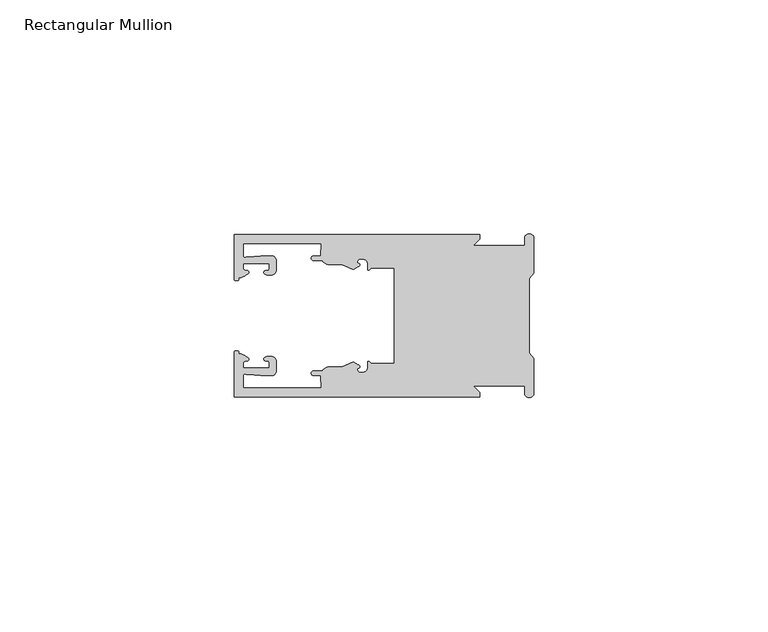
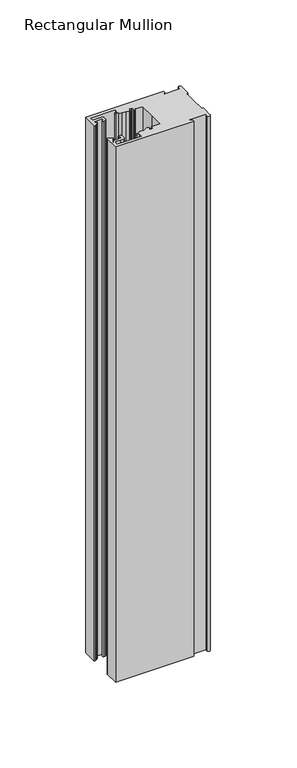
"""IFC4 building model written with IfcOpenShell, lengths in millimetres: member geometry, Rectangular Mullion."""

import ifcopenshell
import ifcopenshell.guid

model = None  # the IFC model being written
_history = None  # IfcOwnerHistory: only IFC2X3 demands one
_inside = {}  # id of a spatial element -> (the spatial element, [elements in it])
_under = {}  # id of a project, library or spatial element -> (it, [spatial elements below it])
_declared = {}  # id of a project -> (the project, [libraries it declares])
_typed = {}  # id of a type object -> (the type object, [elements of that type])
_made_of = {}  # id of a material, layer set ... -> (it, [elements and type objects made of it])


def new_model(schema):
    """Start an empty IFC model of exactly this schema.

    Asked for "IFC4X3", IfcOpenShell would pick the latest addendum, in which some entities
    have other attributes; the version numbers below select the first issue.
    IFC2X3 requires an IfcOwnerHistory on every rooted entity: one is made here for all.
    """
    global model, _history
    if schema == "IFC4X3":
        model = ifcopenshell.file(schema_version=(4, 3, 0, 0))
    else:
        model = ifcopenshell.file(schema=schema)
    _inside.clear()
    _under.clear()
    _declared.clear()
    _typed.clear()
    _made_of.clear()
    _history = None
    if model.schema == "IFC2X3":
        org = make("IfcOrganization", Name="unknown")
        user = make(
            "IfcPersonAndOrganization",
            ThePerson=make("IfcPerson", FamilyName="unknown"),
            TheOrganization=org,
        )
        app = make(
            "IfcApplication",
            ApplicationDeveloper=org,
            Version="unknown",
            ApplicationFullName="unknown",
            ApplicationIdentifier="unknown",
        )
        _history = make(
            "IfcOwnerHistory",
            OwningUser=user,
            OwningApplication=app,
            ChangeAction="ADDED",
            CreationDate=0,
        )
    return model


def make(cls, **values):
    """One entity of the class cls with the attributes given. An attribute that is None is left unset."""
    return model.create_entity(
        cls, **{name: value for name, value in values.items() if value is not None}
    )


def rooted(cls, **values):
    """An entity with a GlobalId (a new one), such as an element, a storey or a relation."""
    return make(cls, GlobalId=ifcopenshell.guid.new(), OwnerHistory=_history, **values)


def si_unit(unit_type, name, prefix=None):
    """IfcSIUnit, for example si_unit("LENGTHUNIT", "METRE", prefix="MILLI")."""
    return make("IfcSIUnit", UnitType=unit_type, Prefix=prefix, Name=name)


def assignment(units):
    """IfcUnitAssignment: the units of a project."""
    return None if units is None else make("IfcUnitAssignment", Units=units)


def point(xyz):
    """IfcCartesianPoint."""
    return None if xyz is None else make("IfcCartesianPoint", Coordinates=xyz)


def direction(xyz):
    """IfcDirection."""
    return None if xyz is None else make("IfcDirection", DirectionRatios=xyz)


def frame(location, z_axis=None, x_axis=None):
    """IfcAxis2Placement3D, a coordinate frame: its origin and axes. An axis left out is left unset."""
    return make(
        "IfcAxis2Placement3D",
        Location=point(location),
        Axis=direction(z_axis),
        RefDirection=direction(x_axis),
    )


def origin():
    """The frame at (0, 0, 0) with its axes left unset."""
    return frame((0.0, 0.0, 0.0))


def place(relative_to, where):
    """IfcLocalPlacement: puts the frame where relative to a parent placement (None: the world)."""
    return make(
        "IfcLocalPlacement", PlacementRelTo=relative_to, RelativePlacement=where
    )


def context(
    kind, dimensions, precision=None, world=None, true_north=None, identifier=None
):
    """IfcGeometricRepresentationContext, for example the 3D "Model" context."""
    return make(
        "IfcGeometricRepresentationContext",
        ContextIdentifier=identifier,
        ContextType=kind,
        CoordinateSpaceDimension=dimensions,
        Precision=precision,
        WorldCoordinateSystem=world,
        TrueNorth=true_north,
    )


def project(units=None, contexts=None):
    """IfcProject with its units and contexts."""
    return rooted(
        "IfcProject",
        Name="project",
        RepresentationContexts=contexts,
        UnitsInContext=assignment(units),
    )


def spatial(cls, under=None, at=None, **own):
    """A site, building, storey or space (cls), placed at a placement, below another one or the project."""
    s = rooted(cls, ObjectPlacement=at, **own)
    if under is not None:
        _under.setdefault(under.id(), (under, []))[1].append(s)
    return s


def polyline(points):
    """IfcPolyline through the points."""
    return make("IfcPolyline", Points=[point(p) for p in points])


def circle_curve(where, radius):
    """IfcCircle in the frame where."""
    return make("IfcCircle", Position=where, Radius=radius)


def shape(context_of_items, identifier, shape_type, items):
    """IfcShapeRepresentation: the items that make up one representation, for example the "Body"."""
    return make(
        "IfcShapeRepresentation",
        ContextOfItems=context_of_items,
        RepresentationIdentifier=identifier,
        RepresentationType=shape_type,
        Items=items,
    )


def source(mapping_origin, context_of_items, identifier, shape_type, items):
    """IfcRepresentationMap: a shape defined once, which mapped items show again and again."""
    return make(
        "IfcRepresentationMap",
        MappingOrigin=mapping_origin,
        MappedRepresentation=shape(context_of_items, identifier, shape_type, items),
    )


def transform(
    local_origin,
    x_axis=None,
    y_axis=None,
    z_axis=None,
    scale=None,
    scale2=None,
    scale3=None,
    uniform=True,
):
    """IfcCartesianTransformationOperator3D, or its non-uniform kind. x_axis, y_axis, z_axis: its Axis1, 2, 3."""
    if uniform:
        return make(
            "IfcCartesianTransformationOperator3D",
            Axis1=direction(x_axis),
            Axis2=direction(y_axis),
            LocalOrigin=point(local_origin),
            Scale=scale,
            Axis3=direction(z_axis),
        )
    return make(
        "IfcCartesianTransformationOperator3DnonUniform",
        Axis1=direction(x_axis),
        Axis2=direction(y_axis),
        LocalOrigin=point(local_origin),
        Scale=scale,
        Axis3=direction(z_axis),
        Scale2=scale2,
        Scale3=scale3,
    )


def mapped(mapping_source, mapping_target):
    """IfcMappedItem: shows the shape of a source again, moved by a transform."""
    return make(
        "IfcMappedItem", MappingSource=mapping_source, MappingTarget=mapping_target
    )


def made_of(thing, what):
    """Note that an element or type object is made of a material, layer set ...; save() writes the relation."""
    if what is not None:
        _made_of.setdefault(what.id(), (what, []))[1].append(thing)
    return thing


def element(
    cls,
    number,
    at=None,
    inside=None,
    cuts=None,
    type_object=None,
    material=None,
    context=None,
    identifier="Body",
    shape_type=None,
    held_by="IfcProductDefinitionShape",
    body=None,
    shapes=None,
    **own,
):
    """One element of the class cls, such as IfcWall. Its Tag is "e" and its number.

    at: its placement. inside: the storey or other place that contains it. cuts: it is an
    opening in that element (IfcRelVoidsElement). A single representation is given by context,
    identifier, shape_type and body (its items); several are given by shapes. held_by: the class
    of the entity that holds the representations. save() writes the other relations.
    """
    e = rooted(cls, Tag="e%d" % number, ObjectPlacement=at, **own)
    if body is not None:
        shapes = [shape(context, identifier, shape_type, body)]
    if shapes is not None:
        e.Representation = make(held_by, Representations=shapes)
    if inside is not None:
        _inside.setdefault(inside.id(), (inside, []))[1].append(e)
    if cuts is not None:
        rooted(
            "IfcRelVoidsElement", RelatingBuildingElement=cuts, RelatedOpeningElement=e
        )
    if type_object is not None:
        _typed.setdefault(type_object.id(), (type_object, []))[1].append(e)
    return made_of(e, material)


def aggregate(whole, parts):
    """IfcRelAggregates: a whole, such as a stair, and the parts it consists of."""
    return rooted("IfcRelAggregates", RelatingObject=whole, RelatedObjects=parts)


def save(model, path):
    """Write the relations noted so far, then the file.

    IfcRelAggregates (storeys below a building ...), IfcRelContainedInSpatialStructure (elements
    in a storey), IfcRelDefinesByType, IfcRelAssociatesMaterial and IfcRelDeclares: one each for
    every whole, place, type object, material and project.
    """
    for whole, parts in _under.values():
        aggregate(whole, parts)
    for where, things in _inside.values():
        rooted(
            "IfcRelContainedInSpatialStructure",
            RelatedElements=things,
            RelatingStructure=where,
        )
    for kind, things in _typed.values():
        rooted("IfcRelDefinesByType", RelatedObjects=things, RelatingType=kind)
    for what, things in _made_of.values():
        rooted("IfcRelAssociatesMaterial", RelatedObjects=things, RelatingMaterial=what)
    for by, libraries in _declared.values():
        rooted("IfcRelDeclares", RelatingContext=by, RelatedDefinitions=libraries)
    model.write(path)


def plane_surface(at):
    """IfcPlane: the flat surface through the origin of the frame at, square to its z axis."""
    return make("IfcPlane", Position=at)


def cylinder_surface(at, radius):
    """IfcCylindricalSurface: all points at the distance radius from the z axis of the frame at."""
    return make("IfcCylindricalSurface", Position=at, Radius=radius)


def revolved_surface(curve, axis_point, axis_direction):
    """IfcSurfaceOfRevolution: the curve turned about the line through axis_point along axis_direction."""
    return make(
        "IfcSurfaceOfRevolution",
        SweptCurve=make("IfcArbitraryOpenProfileDef", ProfileType="CURVE", Curve=curve),
        AxisPosition=make("IfcAxis1Placement", Location=point(axis_point), Axis=direction(axis_direction)),
    )


def extruded_surface(curve, direction_of_extrusion, depth):
    """IfcSurfaceOfLinearExtrusion: the curve pushed along a direction by depth."""
    return make(
        "IfcSurfaceOfLinearExtrusion",
        SweptCurve=make("IfcArbitraryOpenProfileDef", ProfileType="CURVE", Curve=curve),
        ExtrudedDirection=direction(direction_of_extrusion),
        Depth=depth,
    )


def spline_curve(degree, points, multiplicities, knots, weights=None):
    """IfcBSplineCurveWithKnots; with weights, IfcRationalBSplineCurveWithKnots."""
    own = dict(
        Degree=degree,
        ControlPointsList=[point(p) for p in points],
        CurveForm="UNSPECIFIED",
        ClosedCurve=False,
        SelfIntersect=False,
        KnotMultiplicities=multiplicities,
        Knots=knots,
        KnotSpec="UNSPECIFIED",
    )
    if weights is None:
        return make("IfcBSplineCurveWithKnots", **own)
    return make("IfcRationalBSplineCurveWithKnots", WeightsData=weights, **own)


def advanced_brep(points, edges, surfaces, faces):
    """IfcAdvancedBrep: a solid bounded by faces that lie on surfaces and meet in shared edges.

    An edge is (start, end): straight between two places in points (the first is 0);
    or (start, end, curve); or (start, end, curve, False) where it runs against its curve.
    A face is (place in surfaces, loops), or (place, loops, False) where it looks against
    its surface's normal. A loop lists edges by number (the first is 1), with a minus sign
    where the edge is run from its end to its start. The first loop is the outer one.
    """
    corners = [point(p) for p in points]
    vertices = [make("IfcVertexPoint", VertexGeometry=c) for c in corners]
    made = []
    for start, end, *more in edges:
        made.append(
            make(
                "IfcEdgeCurve",
                EdgeStart=vertices[start],
                EdgeEnd=vertices[end],
                EdgeGeometry=more[0] if more else make("IfcPolyline", Points=[corners[start], corners[end]]),
                SameSense=more[1] if len(more) > 1 else True,
            )
        )
    hull = []
    for where, loops, *sense in faces:
        bounds = []
        for j, loop in enumerate(loops):
            ring = [make("IfcOrientedEdge", EdgeElement=made[abs(k) - 1], Orientation=k > 0) for k in loop]
            bounds.append(
                make(
                    "IfcFaceOuterBound" if j == 0 else "IfcFaceBound",
                    Bound=make("IfcEdgeLoop", EdgeList=ring),
                    Orientation=True,
                )
            )
        hull.append(make("IfcAdvancedFace", Bounds=bounds, FaceSurface=surfaces[where], SameSense=sense[0] if sense else True))
    return make("IfcAdvancedBrep", Outer=make("IfcClosedShell", CfsFaces=hull))


def rectangular_mullion_24ae1c9a(model_context):
    return source(origin(), model_context, "Body", "AdvancedBrep", [
        advanced_brep(
        [(-11.5387897, 17.4000478, 0.0), (-64.0387868, 17.4000478, 0.0), (-64.0387868, 7.8350057, 0.0), (-63.2884687, 7.5412947, 0.0), (-62.4614154, 8.1921895, 0.0), (-62.0410649, 9.9426451, 0.0), (-62.0424168, 11.1926444, 0.0), (-56.54242, 11.1985924, 0.0), (-56.5410682, 9.9485931, 0.0), (-57.1085345, 8.7314723, 0.0), (-56.0397166, 8.6991345, 0.0), (-55.0407987, 9.7002154, 0.0), (-55.0430697, 11.8002142, 0.0), (-56.0446364, 12.7991315, 0.0), (-58.3650753, 12.7954945, 0.0), (-61.1340054, 12.5502269, 0.0), (-62.044093, 12.7426435, 0.0), (-62.0469668, 15.4000478, 0.0), (-45.4240312, 15.4000478, 0.0), (-45.5732135, 12.8000478, 0.0), (-47.0387868, 12.8000478, 0.0), (-47.0387868, 11.8000478, 0.0), (-45.2543363, 11.8000478, 0.0), (-43.6387868, 10.9000478, 0.0), (-41.0454034, 10.9000478, 0.0), (-38.5697136, 9.8718293, 0.0), (-37.5387868, 10.4670351, 0.0), (-37.6803436, 11.4201497, 0.0), (-37.0270763, 12.1583697, 0.0), (-36.2010815, 12.0127245, 0.0), (-35.54, 11.2248783, 0.0), (-35.54, 10.0, 0.0), (-34.7705791, 10.25, 0.0), (-29.79, 10.25, 0.0), (-29.79, 0.0, 0.0), (-29.79, -10.25, 0.0), (-34.7705791, -10.25, 0.0), (-35.54, -10.0, 0.0), (-35.54, -11.2248783, 0.0), (-36.2010815, -12.0127245, 0.0), (-37.0270763, -12.1583697, 0.0), (-37.6803436, -11.4201497, 0.0), (-37.5387868, -10.4670351, 0.0), (-38.5697136, -9.8718293, 0.0), (-41.0454034, -10.9000478, 0.0), (-43.6387868, -10.9000478, 0.0), (-45.2543363, -11.8000478, 0.0), (-47.0387868, -11.8000478, 0.0), (-47.0387868, -12.8000478, 0.0), (-45.5732135, -12.8000478, 0.0), (-45.4240312, -15.4000478, 0.0), (-62.0469668, -15.4000478, 0.0), (-62.044093, -12.7426435, 0.0), (-61.1340054, -12.5502269, 0.0), (-58.3650753, -12.7954945, 0.0), (-56.0446364, -12.7991314, 0.0), (-55.0430697, -11.8002142, 0.0), (-55.0407987, -9.7002154, 0.0), (-56.0397166, -8.6991345, 0.0), (-57.1085345, -8.7314723, 0.0), (-56.5410682, -9.9485931, 0.0), (-56.54242, -11.1985924, 0.0), (-62.0424168, -11.1926444, 0.0), (-62.0410649, -9.9426451, 0.0), (-62.4614154, -8.1921895, 0.0), (-63.2884687, -7.5412947, 0.0), (-64.0387868, -7.8350057, 0.0), (-64.0387868, -17.4000478, 0.0), (-11.5387897, -17.4000478, 0.0), (-11.5387897, -16.4000449, 0.0), (-12.9388346, -15.0, 0.0), (-2.0, -15.0, 0.0), (-2.0, -16.5, 0.0), (0.0, -16.5, 0.0), (0.0, -9.1160254, 0.0), (-1.0, -7.9613249, 0.0), (-1.0, 0.0, 0.0), (-1.0, 7.9613249, 0.0), (0.0, 9.1160254, 0.0), (0.0, 16.5, 0.0), (-2.0, 16.5, 0.0), (-2.0, 15.0, 0.0), (-12.9388346, 15.0, 0.0), (-11.5387897, 16.4000449, 0.0), (-11.5387897, 17.4000478, -381.1666668), (-11.5387897, 16.4000449, -381.1666668), (-12.9388346, 15.0, -381.1666668), (-2.0, 15.0, -381.1666668), (-2.0, 16.5, -381.1666668), (0.0, 16.5, -381.1666668), (0.0, 9.1160254, -381.1666668), (-1.0, 7.9613249, -381.1666668), (-1.0, 0.0, -381.1666668), (-1.0, -7.9613249, -381.1666668), (0.0, -9.1160254, -381.1666668), (0.0, -16.5, -381.1666668), (-2.0, -16.5, -381.1666668), (-2.0, -15.0, -381.1666668), (-12.9388346, -15.0, -381.1666668), (-11.5387897, -16.4000449, -381.1666668), (-11.5387897, -17.4000478, -381.1666668), (-64.0387868, -17.4000478, -381.1666668), (-64.0387868, -7.8350057, -381.1666668), (-63.2884687, -7.5412947, -381.1666668), (-62.4614154, -8.1921895, -381.1666668), (-62.0410649, -9.9426451, -381.1666668), (-62.0424168, -11.1926444, -381.1666668), (-56.54242, -11.1985924, -381.1666668), (-56.5410682, -9.9485931, -381.1666668), (-57.1085345, -8.7314723, -381.1666668), (-56.0397166, -8.6991345, -381.1666668), (-55.0407987, -9.7002154, -381.1666668), (-55.0430697, -11.8002142, -381.1666668), (-56.0446364, -12.7991315, -381.1666668), (-58.3650753, -12.7954945, -381.1666668), (-61.1340054, -12.5502269, -381.1666668), (-62.044093, -12.7426435, -381.1666668), (-62.0469668, -15.4000478, -381.1666668), (-45.4240312, -15.4000478, -381.1666668), (-45.5732135, -12.8000478, -381.1666668), (-47.0387868, -12.8000478, -381.1666668), (-47.0387868, -11.8000478, -381.1666668), (-45.2543363, -11.8000478, -381.1666668), (-43.6387868, -10.9000478, -381.1666668), (-41.0454034, -10.9000478, -381.1666668), (-38.5697136, -9.8718293, -381.1666668), (-37.5387868, -10.4670351, -381.1666668), (-37.6803436, -11.4201497, -381.1666668), (-37.0270763, -12.1583697, -381.1666668), (-36.2010815, -12.0127245, -381.1666668), (-35.54, -11.2248783, -381.1666668), (-35.54, -10.0, -381.1666668), (-34.7705791, -10.25, -381.1666668), (-29.79, -10.25, -381.1666668), (-29.79, 0.0, -381.1666668), (-29.79, 10.25, -381.1666668), (-34.7705791, 10.25, -381.1666668), (-35.54, 10.0, -381.1666668), (-35.54, 11.2248783, -381.1666668), (-36.2010815, 12.0127245, -381.1666668), (-37.0270763, 12.1583697, -381.1666668), (-37.6803436, 11.4201497, -381.1666668), (-37.5387868, 10.4670351, -381.1666668), (-38.5697136, 9.8718293, -381.1666668), (-41.0454034, 10.9000478, -381.1666668), (-43.6387868, 10.9000478, -381.1666668), (-45.2543363, 11.8000478, -381.1666668), (-47.0387868, 11.8000478, -381.1666668), (-47.0387868, 12.8000478, -381.1666668), (-45.5732135, 12.8000478, -381.1666668), (-45.4240312, 15.4000478, -381.1666668), (-62.0469668, 15.4000478, -381.1666668), (-62.044093, 12.7426435, -381.1666668), (-61.1340054, 12.5502269, -381.1666668), (-58.3650753, 12.7954945, -381.1666668), (-56.0446364, 12.7991314, -381.1666668), (-55.0430697, 11.8002142, -381.1666668), (-55.0407987, 9.7002154, -381.1666668), (-56.0397166, 8.6991345, -381.1666668), (-57.1085345, 8.7314723, -381.1666668), (-56.5410682, 9.9485931, -381.1666668), (-56.54242, 11.1985924, -381.1666668), (-62.0424168, 11.1926444, -381.1666668), (-62.0410649, 9.9426451, -381.1666668), (-62.4614154, 8.1921895, -381.1666668), (-63.2884687, 7.5412947, -381.1666668), (-64.0387868, 7.8350057, -381.1666668), (-64.0387868, 17.4000478, -381.1666668)],
        [
            (0, 1),
            (1, 2),
            (2, 3, spline_curve(3, [(-64.0387868, 7.8350057, 0.0), (-64.038491377, 7.561831774, 0.0), (-63.788385325, 7.463928087, 0.0), (-63.2884687, 7.5412947, 0.0)], [4, 4], [0.0, 0.0019169337574178654])),
            (3, 4, spline_curve(3, [(-63.2884687, 7.5412947, 0.0), (-63.057760917, 7.582232011, 0.0), (-63.018445067, 7.725390894, 0.0), (-63.019925494, 8.056436881, 0.0), (-63.103444208, 8.236386866, 0.0), (-62.4614154, 8.1921895, 0.0)], [4, 2, 4], [0.0, 0.0010199524164107188, 0.0024874514725970356])),
            (4, 5, spline_curve(3, [(-62.4614154, 8.1921895, 0.0), (-60.988497673, 8.880962536, 0.0), (-60.794045122, 9.192776957, 0.0), (-60.949808078, 9.57023562, 0.0), (-61.145214014, 9.682771697, 0.0), (-61.665835706, 9.714019003, 0.0), (-61.965242574, 9.660891484, 0.0), (-62.0410649, 9.9426451, 0.0)], [4, 2, 2, 4], [0.0, 0.003269869179570428, 0.005490050486237203, 0.0073545767114364426])),
            (5, 6),
            (6, 7),
            (7, 8),
            (8, 9, spline_curve(3, [(-56.5410682, 9.9485931, 0.0), (-56.634838635, 9.597117104, 0.0), (-56.904956774, 9.698238818, 0.0), (-57.324171444, 9.731086209, 0.0), (-57.45969165, 9.646199885, 0.0), (-57.729003352, 9.346016011, 0.0), (-57.859492582, 9.113082158, 0.0), (-57.1085345, 8.7314723, 0.0)], [4, 2, 2, 4], [0.0, 0.001593963049934732, 0.0033360256320283306, 0.005339140673503943])),
            (9, 10),
            (10, 11, circle_curve(frame((-56.0407981, 9.699134, 0.0), z_axis=(0.0, 0.0, 1.0), x_axis=(0.0010814451158627505, -0.9999994152380598, 0.0)), 1.0)),
            (11, 12),
            (12, 13, circle_curve(frame((-56.0430691, 11.7991327, 0.0), z_axis=(0.0, 0.0, 1.0), x_axis=(0.0010814451158627505, -0.9999994152380598, 0.0)), 1.0)),
            (13, 14),
            (14, 15),
            (15, 16, spline_curve(3, [(-61.1340054, 12.5502269, 0.0), (-61.605485428, 12.508463911, 0.0), (-61.992111419, 12.303164326, 0.0), (-62.044093, 12.7426435, 0.0)], [4, 4], [0.0, 0.0014803385355886016])),
            (16, 17),
            (17, 18),
            (18, 19),
            (19, 20),
            (20, 21, circle_curve(frame((-47.0387868, 12.3000478, 0.0), z_axis=(0.0, 0.0, 1.0), x_axis=(0.0, -1.0, 0.0)), 0.5)),
            (21, 22),
            (22, 23, circle_curve(frame((-43.6387868, 12.8000478, 0.0), z_axis=(0.0, 0.0, 1.0), x_axis=(0.0, -1.0, 0.0)), 1.9)),
            (23, 24),
            (24, 25),
            (25, 26),
            (26, 27, spline_curve(3, [(-37.5387868, 10.4670351, 0.0), (-36.973919853, 10.833863985, 0.0), (-37.198159645, 11.135696286, 0.0), (-37.587892011, 11.260246073, 0.0), (-37.754584192, 11.180452419, 0.0), (-37.6803436, 11.4201497, 0.0)], [4, 2, 4], [0.0, 0.0019283703160353726, 0.003394584635652914])),
            (27, 28, circle_curve(frame((-37.0434863, 11.5147359, 0.0), z_axis=(0.0, 0.0, -1.0), x_axis=(0.0, -1.0, 0.0)), 0.643843)),
            (28, 29),
            (29, 30, circle_curve(frame((-36.34, 11.2248783, 0.0), z_axis=(0.0, 0.0, -1.0), x_axis=(0.0, -1.0, 0.0)), 0.8)),
            (30, 31),
            (31, 32, spline_curve(3, [(-35.54, 10.0, 0.0), (-35.440000238, 9.598293201, 0.0), (-35.183526594, 9.681626535, 0.0), (-34.7705791, 10.25, 0.0)], [4, 4], [0.0, 0.0027473296990141553])),
            (32, 33),
            (33, 34),
            (34, 35),
            (35, 36),
            (36, 37, spline_curve(3, [(-34.7705791, -10.25, 0.0), (-35.183526594, -9.681626535, 0.0), (-35.440000238, -9.598293201, 0.0), (-35.54, -10.0, 0.0)], [4, 4], [0.0, 0.0027473296990141553])),
            (37, 38),
            (38, 39, circle_curve(frame((-36.34, -11.2248783, 0.0), z_axis=(0.0, 0.0, -1.0), x_axis=(0.0, 1.0, 0.0)), 0.8)),
            (39, 40),
            (40, 41, circle_curve(frame((-37.0434863, -11.5147359, 0.0), z_axis=(0.0, 0.0, -1.0), x_axis=(0.0, 1.0, 0.0)), 0.643843)),
            (41, 42, spline_curve(3, [(-37.6803436, -11.4201497, 0.0), (-37.754584192, -11.180452419, 0.0), (-37.587892011, -11.260246073, 0.0), (-37.198159645, -11.135696286, 0.0), (-36.973919853, -10.833863985, 0.0), (-37.5387868, -10.4670351, 0.0)], [4, 2, 4], [0.0, 0.0014662143196175414, 0.003394584635652914])),
            (42, 43),
            (43, 44),
            (44, 45),
            (45, 46, circle_curve(frame((-43.6387868, -12.8000478, 0.0), z_axis=(0.0, 0.0, 1.0), x_axis=(0.0, 1.0, 0.0)), 1.9)),
            (46, 47),
            (47, 48, circle_curve(frame((-47.0387868, -12.3000478, 0.0), z_axis=(0.0, 0.0, 1.0), x_axis=(0.0, 1.0, 0.0)), 0.5)),
            (48, 49),
            (49, 50),
            (50, 51),
            (51, 52),
            (52, 53, spline_curve(3, [(-62.044093, -12.7426435, 0.0), (-61.992111419, -12.303164326, 0.0), (-61.605485428, -12.508463911, 0.0), (-61.1340054, -12.5502269, 0.0)], [4, 4], [0.0, 0.0014803385355886016])),
            (53, 54),
            (54, 55),
            (55, 56, circle_curve(frame((-56.0430691, -11.7991327, 0.0), z_axis=(0.0, 0.0, 1.0), x_axis=(0.001081445115855867, 0.9999994152380598, 0.0)), 1.0)),
            (56, 57),
            (57, 58, circle_curve(frame((-56.0407981, -9.699134, 0.0), z_axis=(0.0, 0.0, 1.0), x_axis=(0.001081445115855867, 0.9999994152380598, 0.0)), 1.0)),
            (58, 59),
            (59, 60, spline_curve(3, [(-57.1085345, -8.7314723, 0.0), (-57.859492582, -9.113082158, 0.0), (-57.729003352, -9.346016011, 0.0), (-57.45969165, -9.646199885, 0.0), (-57.324171444, -9.731086209, 0.0), (-56.904956774, -9.698238818, 0.0), (-56.634838635, -9.597117104, 0.0), (-56.5410682, -9.9485931, 0.0)], [4, 2, 2, 4], [0.0, 0.002003115041475612, 0.0037451776235692107, 0.005339140673503943])),
            (60, 61),
            (61, 62),
            (62, 63),
            (63, 64, spline_curve(3, [(-62.0410649, -9.9426451, 0.0), (-61.965242574, -9.660891484, 0.0), (-61.665835706, -9.714019003, 0.0), (-61.145214014, -9.682771697, 0.0), (-60.949808078, -9.57023562, 0.0), (-60.794045122, -9.192776957, 0.0), (-60.988497673, -8.880962536, 0.0), (-62.4614154, -8.1921895, 0.0)], [4, 2, 2, 4], [0.0, 0.0018645262251992395, 0.004084707531866015, 0.0073545767114364426])),
            (64, 65, spline_curve(3, [(-62.4614154, -8.1921895, 0.0), (-63.103444208, -8.236386866, 0.0), (-63.019925494, -8.056436881, 0.0), (-63.018445067, -7.725390894, 0.0), (-63.057760917, -7.582232011, 0.0), (-63.2884687, -7.5412947, 0.0)], [4, 2, 4], [0.0, 0.0014674990561863168, 0.0024874514725970356])),
            (65, 66, spline_curve(3, [(-63.2884687, -7.5412947, 0.0), (-63.788385325, -7.463928087, 0.0), (-64.038491377, -7.561831774, 0.0), (-64.0387868, -7.8350057, 0.0)], [4, 4], [0.0, 0.0019169337574178654])),
            (66, 67),
            (67, 68),
            (68, 69),
            (69, 70),
            (70, 71),
            (71, 72),
            (72, 73, circle_curve(frame((-1.0, -16.5, 0.0), z_axis=(0.0, 0.0, 1.0), x_axis=(0.0, 1.0, 0.0)), 1.0)),
            (73, 74),
            (74, 75),
            (75, 76),
            (76, 77),
            (77, 78),
            (78, 79),
            (79, 80, circle_curve(frame((-1.0, 16.5, 0.0), z_axis=(0.0, 0.0, 1.0), x_axis=(0.0, -1.0, 0.0)), 1.0)),
            (80, 81),
            (81, 82),
            (82, 83),
            (83, 0),
            (84, 85),
            (85, 86),
            (86, 87),
            (87, 88),
            (88, 89, circle_curve(frame((-1.0, 16.5, -381.1666668), z_axis=(0.0, 0.0, -1.0), x_axis=(0.0, -1.0, 0.0)), 1.0)),
            (89, 90),
            (90, 91),
            (91, 92),
            (92, 93),
            (93, 94),
            (94, 95),
            (95, 96, circle_curve(frame((-1.0, -16.5, -381.1666668), z_axis=(0.0, 0.0, -1.0), x_axis=(0.0, 1.0, 0.0)), 1.0)),
            (96, 97),
            (97, 98),
            (98, 99),
            (99, 100),
            (100, 101),
            (101, 102),
            (102, 103, spline_curve(3, [(-64.0387868, -7.8350057, -381.1666668), (-64.038491377, -7.561831774, -381.1666668), (-63.788385325, -7.463928087, -381.1666668), (-63.2884687, -7.5412947, -381.1666668)], [4, 4], [0.0, 0.0019169337574178654])),
            (103, 104, spline_curve(3, [(-63.2884687, -7.5412947, -381.1666668), (-63.057760917, -7.582232011, -381.1666668), (-63.018445067, -7.725390894, -381.1666668), (-63.019925494, -8.056436881, -381.1666668), (-63.103444208, -8.236386866, -381.1666668), (-62.4614154, -8.1921895, -381.1666668)], [4, 2, 4], [0.0, 0.0010199524164107188, 0.0024874514725970356])),
            (104, 105, spline_curve(3, [(-62.4614154, -8.1921895, -381.1666668), (-60.988497673, -8.880962536, -381.1666668), (-60.794045122, -9.192776957, -381.1666668), (-60.949808078, -9.57023562, -381.1666668), (-61.145214014, -9.682771697, -381.1666668), (-61.665835706, -9.714019003, -381.1666668), (-61.965242574, -9.660891484, -381.1666668), (-62.0410649, -9.9426451, -381.1666668)], [4, 2, 2, 4], [0.0, 0.003269869179570428, 0.005490050486237203, 0.0073545767114364426])),
            (105, 106),
            (106, 107),
            (107, 108),
            (108, 109, spline_curve(3, [(-56.5410682, -9.9485931, -381.1666668), (-56.634838635, -9.597117104, -381.1666668), (-56.904956774, -9.698238818, -381.1666668), (-57.324171444, -9.731086209, -381.1666668), (-57.45969165, -9.646199885, -381.1666668), (-57.729003352, -9.346016011, -381.1666668), (-57.859492582, -9.113082158, -381.1666668), (-57.1085345, -8.7314723, -381.1666668)], [4, 2, 2, 4], [0.0, 0.001593963049934732, 0.0033360256320283306, 0.005339140673503943])),
            (109, 110),
            (110, 111, circle_curve(frame((-56.0407981, -9.699134, -381.1666668), z_axis=(0.0, 0.0, -1.0), x_axis=(0.001081445115855867, 0.9999994152380598, 0.0)), 1.0)),
            (111, 112),
            (112, 113, circle_curve(frame((-56.0430691, -11.7991327, -381.1666668), z_axis=(0.0, 0.0, -1.0), x_axis=(0.001081445115855867, 0.9999994152380598, 0.0)), 1.0)),
            (113, 114),
            (114, 115),
            (115, 116, spline_curve(3, [(-61.1340054, -12.5502269, -381.1666668), (-61.605485428, -12.508463911, -381.1666668), (-61.992111419, -12.303164326, -381.1666668), (-62.044093, -12.7426435, -381.1666668)], [4, 4], [0.0, 0.0014803385355886016])),
            (116, 117),
            (117, 118),
            (118, 119),
            (119, 120),
            (120, 121, circle_curve(frame((-47.0387868, -12.3000478, -381.1666668), z_axis=(0.0, 0.0, -1.0), x_axis=(0.0, 1.0, 0.0)), 0.5)),
            (121, 122),
            (122, 123, circle_curve(frame((-43.6387868, -12.8000478, -381.1666668), z_axis=(0.0, 0.0, -1.0), x_axis=(0.0, 1.0, 0.0)), 1.9)),
            (123, 124),
            (124, 125),
            (125, 126),
            (126, 127, spline_curve(3, [(-37.5387868, -10.4670351, -381.1666668), (-36.973919853, -10.833863985, -381.1666668), (-37.198159645, -11.135696286, -381.1666668), (-37.587892011, -11.260246073, -381.1666668), (-37.754584192, -11.180452419, -381.1666668), (-37.6803436, -11.4201497, -381.1666668)], [4, 2, 4], [0.0, 0.0019283703160353726, 0.003394584635652914])),
            (127, 128, circle_curve(frame((-37.0434863, -11.5147359, -381.1666668), z_axis=(0.0, 0.0, 1.0), x_axis=(0.0, 1.0, 0.0)), 0.643843)),
            (128, 129),
            (129, 130, circle_curve(frame((-36.34, -11.2248783, -381.1666668), z_axis=(0.0, 0.0, 1.0), x_axis=(0.0, 1.0, 0.0)), 0.8)),
            (130, 131),
            (131, 132, spline_curve(3, [(-35.54, -10.0, -381.1666668), (-35.440000238, -9.598293201, -381.1666668), (-35.183526594, -9.681626535, -381.1666668), (-34.7705791, -10.25, -381.1666668)], [4, 4], [0.0, 0.0027473296990141553])),
            (132, 133),
            (133, 134),
            (134, 135),
            (135, 136),
            (136, 137, spline_curve(3, [(-34.7705791, 10.25, -381.1666668), (-35.183526594, 9.681626535, -381.1666668), (-35.440000238, 9.598293201, -381.1666668), (-35.54, 10.0, -381.1666668)], [4, 4], [0.0, 0.0027473296990141553])),
            (137, 138),
            (138, 139, circle_curve(frame((-36.34, 11.2248783, -381.1666668), z_axis=(0.0, 0.0, 1.0), x_axis=(0.0, -1.0, 0.0)), 0.8)),
            (139, 140),
            (140, 141, circle_curve(frame((-37.0434863, 11.5147359, -381.1666668), z_axis=(0.0, 0.0, 1.0), x_axis=(0.0, -1.0, 0.0)), 0.643843)),
            (141, 142, spline_curve(3, [(-37.6803436, 11.4201497, -381.1666668), (-37.754584192, 11.180452419, -381.1666668), (-37.587892011, 11.260246073, -381.1666668), (-37.198159645, 11.135696286, -381.1666668), (-36.973919853, 10.833863985, -381.1666668), (-37.5387868, 10.4670351, -381.1666668)], [4, 2, 4], [0.0, 0.0014662143196175414, 0.003394584635652914])),
            (142, 143),
            (143, 144),
            (144, 145),
            (145, 146, circle_curve(frame((-43.6387868, 12.8000478, -381.1666668), z_axis=(0.0, 0.0, -1.0), x_axis=(0.0, -1.0, 0.0)), 1.9)),
            (146, 147),
            (147, 148, circle_curve(frame((-47.0387868, 12.3000478, -381.1666668), z_axis=(0.0, 0.0, -1.0), x_axis=(0.0, -1.0, 0.0)), 0.5)),
            (148, 149),
            (149, 150),
            (150, 151),
            (151, 152),
            (152, 153, spline_curve(3, [(-62.044093, 12.7426435, -381.1666668), (-61.992111419, 12.303164326, -381.1666668), (-61.605485428, 12.508463911, -381.1666668), (-61.1340054, 12.5502269, -381.1666668)], [4, 4], [0.0, 0.0014803385355886016])),
            (153, 154),
            (154, 155),
            (155, 156, circle_curve(frame((-56.0430691, 11.7991327, -381.1666668), z_axis=(0.0, 0.0, -1.0), x_axis=(0.0010814451158627505, -0.9999994152380598, 0.0)), 1.0)),
            (156, 157),
            (157, 158, circle_curve(frame((-56.0407981, 9.699134, -381.1666668), z_axis=(0.0, 0.0, -1.0), x_axis=(0.0010814451158627505, -0.9999994152380598, 0.0)), 1.0)),
            (158, 159),
            (159, 160, spline_curve(3, [(-57.1085345, 8.7314723, -381.1666668), (-57.859492582, 9.113082158, -381.1666668), (-57.729003352, 9.346016011, -381.1666668), (-57.45969165, 9.646199885, -381.1666668), (-57.324171444, 9.731086209, -381.1666668), (-56.904956774, 9.698238818, -381.1666668), (-56.634838635, 9.597117104, -381.1666668), (-56.5410682, 9.9485931, -381.1666668)], [4, 2, 2, 4], [0.0, 0.002003115041475612, 0.0037451776235692107, 0.005339140673503943])),
            (160, 161),
            (161, 162),
            (162, 163),
            (163, 164, spline_curve(3, [(-62.0410649, 9.9426451, -381.1666668), (-61.965242574, 9.660891484, -381.1666668), (-61.665835706, 9.714019003, -381.1666668), (-61.145214014, 9.682771697, -381.1666668), (-60.949808078, 9.57023562, -381.1666668), (-60.794045122, 9.192776957, -381.1666668), (-60.988497673, 8.880962536, -381.1666668), (-62.4614154, 8.1921895, -381.1666668)], [4, 2, 2, 4], [0.0, 0.0018645262251992395, 0.004084707531866015, 0.0073545767114364426])),
            (164, 165, spline_curve(3, [(-62.4614154, 8.1921895, -381.1666668), (-63.103444208, 8.236386866, -381.1666668), (-63.019925494, 8.056436881, -381.1666668), (-63.018445067, 7.725390894, -381.1666668), (-63.057760917, 7.582232011, -381.1666668), (-63.2884687, 7.5412947, -381.1666668)], [4, 2, 4], [0.0, 0.0014674990561863168, 0.0024874514725970356])),
            (165, 166, spline_curve(3, [(-63.2884687, 7.5412947, -381.1666668), (-63.788385325, 7.463928087, -381.1666668), (-64.038491377, 7.561831774, -381.1666668), (-64.0387868, 7.8350057, -381.1666668)], [4, 4], [0.0, 0.0019169337574178654])),
            (166, 167),
            (167, 84),
            (0, 84),
            (167, 1),
            (166, 2),
            (165, 3),
            (164, 4),
            (163, 5),
            (162, 6),
            (161, 7),
            (160, 8),
            (159, 9),
            (158, 10),
            (157, 11),
            (156, 12),
            (155, 13),
            (154, 14),
            (153, 15),
            (152, 16),
            (151, 17),
            (150, 18),
            (149, 19),
            (148, 20),
            (147, 21),
            (146, 22),
            (145, 23),
            (144, 24),
            (143, 25),
            (142, 26),
            (141, 27),
            (140, 28),
            (139, 29),
            (138, 30),
            (137, 31),
            (136, 32),
            (135, 33),
            (134, 34),
            (133, 35),
            (132, 36),
            (131, 37),
            (130, 38),
            (129, 39),
            (128, 40),
            (127, 41),
            (126, 42),
            (125, 43),
            (124, 44),
            (123, 45),
            (122, 46),
            (121, 47),
            (120, 48),
            (119, 49),
            (118, 50),
            (117, 51),
            (116, 52),
            (115, 53),
            (114, 54),
            (113, 55),
            (112, 56),
            (111, 57),
            (110, 58),
            (109, 59),
            (108, 60),
            (107, 61),
            (106, 62),
            (105, 63),
            (104, 64),
            (103, 65),
            (102, 66),
            (101, 67),
            (100, 68),
            (99, 69),
            (98, 70),
            (97, 71),
            (96, 72),
            (95, 73),
            (94, 74),
            (93, 75),
            (92, 76),
            (91, 77),
            (90, 78),
            (89, 79),
            (88, 80),
            (87, 81),
            (86, 82),
            (85, 83),
        ],
        [
            plane_surface(frame((0.0, -66.3605898, 0.0), z_axis=(0.0, 0.0, 1.0), x_axis=(-1.0, 0.0, 0.0))),
            plane_surface(frame((0.0, -66.3605898, -381.1666668), z_axis=(0.0, 0.0, -1.0), x_axis=(-1.0, 0.0, 0.0))),
            plane_surface(frame((-11.5387897, 17.4000478, 0.0), z_axis=(0.0, 1.0, 0.0), x_axis=(0.0, 0.0, -1.0))),
            plane_surface(frame((-64.0387868, 17.4000478, 0.0), z_axis=(-1.0, 0.0, 0.0), x_axis=(0.0, 0.0, -1.0))),
            extruded_surface(spline_curve(3, [(-64.0387868, 7.8350057, -381.1666668), (-64.038491377, 7.561831774, -381.1666668), (-63.788385325, 7.463928087, -381.1666668), (-63.2884687, 7.5412947, -381.1666668)], [4, 4], [0.0, 0.0019169337574178654]), (0.0, 0.0, 381.1666668), 381.1666668),
            extruded_surface(spline_curve(3, [(-63.2884687, 7.5412947, -381.1666668), (-63.057760917, 7.582232011, -381.1666668), (-63.018445067, 7.725390894, -381.1666668), (-63.019925494, 8.056436881, -381.1666668), (-63.103444208, 8.236386866, -381.1666668), (-62.4614154, 8.1921895, -381.1666668)], [4, 2, 4], [0.0, 0.0010199524164107188, 0.0024874514725970356]), (0.0, 0.0, 381.1666668), 381.1666668),
            extruded_surface(spline_curve(3, [(-62.4614154, 8.1921895, -381.1666668), (-60.988497673, 8.880962536, -381.1666668), (-60.794045122, 9.192776957, -381.1666668), (-60.949808078, 9.57023562, -381.1666668), (-61.145214014, 9.682771697, -381.1666668), (-61.665835706, 9.714019003, -381.1666668), (-61.965242574, 9.660891484, -381.1666668), (-62.0410649, 9.9426451, -381.1666668)], [4, 2, 2, 4], [0.0, 0.003269869179570428, 0.005490050486237203, 0.0073545767114364426]), (0.0, 0.0, 381.1666668), 381.1666668),
            plane_surface(frame((-62.0410649, 9.9426451, 0.0), z_axis=(0.9999994152380598, 0.0010814451158593665, 0.0), x_axis=(0.0, 0.0, -1.0))),
            plane_surface(frame((-62.0424168, 11.1926444, 0.0), z_axis=(0.0010814451158611391, -0.9999994152380598, 0.0), x_axis=(0.0, 0.0, -1.0))),
            plane_surface(frame((-56.54242, 11.1985924, 0.0), z_axis=(-0.9999994152380598, -0.0010814451158584516, 0.0), x_axis=(0.0, 0.0, -1.0))),
            extruded_surface(spline_curve(3, [(-56.5410682, 9.9485931, -381.1666668), (-56.634838635, 9.597117104, -381.1666668), (-56.904956774, 9.698238818, -381.1666668), (-57.324171444, 9.731086209, -381.1666668), (-57.45969165, 9.646199885, -381.1666668), (-57.729003352, 9.346016011, -381.1666668), (-57.859492582, 9.113082158, -381.1666668), (-57.1085345, 8.7314723, -381.1666668)], [4, 2, 2, 4], [0.0, 0.001593963049934732, 0.0033360256320283306, 0.005339140673503943]), (0.0, 0.0, 381.1666668), 381.1666668),
            plane_surface(frame((-57.1085345, 8.7314723, 0.0), z_axis=(-0.030241832452869922, -0.9995426111826813, 0.0), x_axis=(0.0, 0.0, -1.0))),
            cylinder_surface(frame((-56.0407981, 9.699134, 0.0), z_axis=(0.0, 0.0, 1.0000000000000002), x_axis=(0.0010814451158627505, -0.9999994152380598, 0.0)), 1.0),
            plane_surface(frame((-55.0407987, 9.7002154, 0.0), z_axis=(0.9999994152380598, 0.001081445115858722, 0.0), x_axis=(0.0, 0.0, -1.0))),
            cylinder_surface(frame((-56.0430691, 11.7991327, 0.0), z_axis=(0.0, 0.0, 1.0000000000000002), x_axis=(0.0010814451158627505, -0.9999994152380598, 0.0)), 1.0),
            plane_surface(frame((-56.0446364, 12.7991314, 0.0), z_axis=(-0.0015673183327907744, 0.9999987717558677, 0.0), x_axis=(0.0, 0.0, -1.0))),
            plane_surface(frame((-58.3650753, 12.7954945, 0.0), z_axis=(-0.08823302167299531, 0.9960998614026874, 0.0), x_axis=(0.0, 0.0, -1.0))),
            extruded_surface(spline_curve(3, [(-61.1340054, 12.5502269, -381.1666668), (-61.605485428, 12.508463911, -381.1666668), (-61.992111419, 12.303164326, -381.1666668), (-62.044093, 12.7426435, -381.1666668)], [4, 4], [0.0, 0.0014803385355886016]), (0.0, 0.0, 381.1666668), 381.1666668),
            plane_surface(frame((-62.044093, 12.7426435, 0.0), z_axis=(0.9999994152380598, 0.0010814451158597813, 0.0), x_axis=(0.0, 0.0, -1.0))),
            plane_surface(frame((-62.0469668, 15.4000478, 0.0), z_axis=(0.0, -1.0, 0.0), x_axis=(0.0, 0.0, -1.0))),
            plane_surface(frame((-45.4240312, 15.4000478, 0.0), z_axis=(-0.9983579461523547, 0.05728360458675776, 0.0), x_axis=(0.0, 0.0, -1.0))),
            plane_surface(frame((-45.5732135, 12.8000478, 0.0), z_axis=(0.0, 1.0, 0.0), x_axis=(0.0, 0.0, -1.0))),
            cylinder_surface(frame((-47.0387868, 12.3000478, 0.0), z_axis=(0.0, 0.0, 1.0), x_axis=(0.0, -1.0, 0.0)), 0.5),
            plane_surface(frame((-47.0387868, 11.8000478, 0.0), z_axis=(0.0, -1.0, 0.0), x_axis=(0.0, 0.0, -1.0))),
            cylinder_surface(frame((-43.6387868, 12.8000478, 0.0), z_axis=(0.0, 0.0, 1.0), x_axis=(0.0, -1.0, 0.0)), 1.9),
            plane_surface(frame((-43.6387868, 10.9000478, 0.0), z_axis=(0.0, -1.0, 0.0), x_axis=(0.0, 0.0, -1.0))),
            plane_surface(frame((-41.0454034, 10.9000478, 0.0), z_axis=(-0.3835602140750569, -0.9235158700199453, 0.0), x_axis=(0.0, 0.0, -1.0))),
            plane_surface(frame((-38.5697136, 9.8718293, 0.0), z_axis=(0.5000000000252295, -0.8660254037698725, 0.0), x_axis=(0.0, 0.0, -1.0))),
            extruded_surface(spline_curve(3, [(-37.5387868, 10.4670351, -381.1666668), (-36.973919853, 10.833863985, -381.1666668), (-37.198159645, 11.135696286, -381.1666668), (-37.587892011, 11.260246073, -381.1666668), (-37.754584192, 11.180452419, -381.1666668), (-37.6803436, 11.4201497, -381.1666668)], [4, 2, 4], [0.0, 0.0019283703160353726, 0.003394584635652914]), (0.0, 0.0, 381.1666668), 381.1666668),
            revolved_surface(polyline([(-37.0434863, 10.8708929, -381.1666668), (-37.0434863, 10.8708929, 0.0)]), (-37.0434863, 11.5147359, 0.0), (0.0, 0.0, -1.0)),
            plane_surface(frame((-37.0270763, 12.1583697, 0.0), z_axis=(-0.17364817767050408, -0.984807753011578, 0.0), x_axis=(0.0, 0.0, -1.0))),
            revolved_surface(polyline([(-36.34, 10.4248783, -381.1666668), (-36.34, 10.4248783, 0.0)]), (-36.34, 11.2248783, 0.0), (0.0, 0.0, -1.0)),
            plane_surface(frame((-35.54, 11.2248783, 0.0), z_axis=(-1.0, 0.0, 0.0), x_axis=(0.0, 0.0, -1.0))),
            extruded_surface(spline_curve(3, [(-35.54, 10.0, -381.1666668), (-35.440000238, 9.598293201, -381.1666668), (-35.183526594, 9.681626535, -381.1666668), (-34.7705791, 10.25, -381.1666668)], [4, 4], [0.0, 0.0027473296990141553]), (0.0, 0.0, 381.1666668), 381.1666668),
            plane_surface(frame((-34.7705791, 10.25, 0.0), z_axis=(0.0, -1.0, 0.0), x_axis=(0.0, 0.0, -1.0))),
            plane_surface(frame((-29.79, 10.25, 0.0), z_axis=(-1.0, 0.0, 0.0), x_axis=(0.0, 0.0, -1.0))),
            plane_surface(frame((-29.79, 0.0, 0.0), z_axis=(-1.0, 0.0, 0.0), x_axis=(0.0, 0.0, -1.0))),
            plane_surface(frame((-29.79, -10.25, 0.0), z_axis=(0.0, 1.0, 0.0), x_axis=(0.0, 0.0, -1.0))),
            extruded_surface(spline_curve(3, [(-34.7705791, -10.25, -381.1666668), (-35.183526594, -9.681626535, -381.1666668), (-35.440000238, -9.598293201, -381.1666668), (-35.54, -10.0, -381.1666668)], [4, 4], [0.0, 0.0027473296990141553]), (0.0, 0.0, 381.1666668), 381.1666668),
            plane_surface(frame((-35.54, -10.0, 0.0), z_axis=(-1.0, 0.0, 0.0), x_axis=(0.0, 0.0, -1.0))),
            revolved_surface(polyline([(-36.34, -10.4248783, -381.1666668), (-36.34, -10.4248783, 0.0)]), (-36.34, -11.2248783, 0.0), (0.0, 0.0, -1.0)),
            plane_surface(frame((-36.2010815, -12.0127245, 0.0), z_axis=(-0.17364817767051083, 0.9848077530115767, 0.0), x_axis=(0.0, 0.0, -1.0))),
            revolved_surface(polyline([(-37.0434863, -10.8708929, -381.1666668), (-37.0434863, -10.8708929, 0.0)]), (-37.0434863, -11.5147359, 0.0), (0.0, 0.0, -1.0)),
            extruded_surface(spline_curve(3, [(-37.6803436, -11.4201497, -381.1666668), (-37.754584192, -11.180452419, -381.1666668), (-37.587892011, -11.260246073, -381.1666668), (-37.198159645, -11.135696286, -381.1666668), (-36.973919853, -10.833863985, -381.1666668), (-37.5387868, -10.4670351, -381.1666668)], [4, 2, 4], [0.0, 0.0014662143196175414, 0.003394584635652914]), (0.0, 0.0, 381.1666668), 381.1666668),
            plane_surface(frame((-37.5387868, -10.4670351, 0.0), z_axis=(0.5000000000252234, 0.8660254037698759, 0.0), x_axis=(0.0, 0.0, -1.0))),
            plane_surface(frame((-38.5697136, -9.8718293, 0.0), z_axis=(-0.38356021407506324, 0.9235158700199426, 0.0), x_axis=(0.0, 0.0, -1.0))),
            plane_surface(frame((-41.0454034, -10.9000478, 0.0), z_axis=(0.0, 1.0, 0.0), x_axis=(0.0, 0.0, -1.0))),
            cylinder_surface(frame((-43.6387868, -12.8000478, 0.0), z_axis=(0.0, 0.0, 1.0), x_axis=(0.0, 1.0, 0.0)), 1.9),
            plane_surface(frame((-45.2543363, -11.8000478, 0.0), z_axis=(0.0, 1.0, 0.0), x_axis=(0.0, 0.0, -1.0))),
            cylinder_surface(frame((-47.0387868, -12.3000478, 0.0), z_axis=(0.0, 0.0, 1.0), x_axis=(0.0, 1.0, 0.0)), 0.5),
            plane_surface(frame((-47.0387868, -12.8000478, 0.0), z_axis=(0.0, -1.0, 0.0), x_axis=(0.0, 0.0, -1.0))),
            plane_surface(frame((-45.5732135, -12.8000478, 0.0), z_axis=(-0.9983579461523543, -0.05728360458676463, 0.0), x_axis=(0.0, 0.0, -1.0))),
            plane_surface(frame((-45.4240312, -15.4000478, 0.0), z_axis=(0.0, 1.0, 0.0), x_axis=(0.0, 0.0, -1.0))),
            plane_surface(frame((-62.0469668, -15.4000478, 0.0), z_axis=(0.9999994152380598, -0.001081445115852898, 0.0), x_axis=(0.0, 0.0, -1.0))),
            extruded_surface(spline_curve(3, [(-62.044093, -12.7426435, -381.1666668), (-61.992111419, -12.303164326, -381.1666668), (-61.605485428, -12.508463911, -381.1666668), (-61.1340054, -12.5502269, -381.1666668)], [4, 4], [0.0, 0.0014803385355886016]), (0.0, 0.0, 381.1666668), 381.1666668),
            plane_surface(frame((-61.1340054, -12.5502269, 0.0), z_axis=(-0.08823302167298844, -0.9960998614026879, 0.0), x_axis=(0.0, 0.0, -1.0))),
            plane_surface(frame((-58.3650753, -12.7954945, 0.0), z_axis=(-0.001567318332783891, -0.9999987717558677, 0.0), x_axis=(0.0, 0.0, -1.0))),
            cylinder_surface(frame((-56.0430691, -11.7991327, 0.0), z_axis=(0.0, 0.0, 1.0000000000000002), x_axis=(0.001081445115855867, 0.9999994152380598, 0.0)), 1.0),
            plane_surface(frame((-55.0430697, -11.8002142, 0.0), z_axis=(0.9999994152380598, -0.0010814451158518386, 0.0), x_axis=(0.0, 0.0, -1.0))),
            cylinder_surface(frame((-56.0407981, -9.699134, 0.0), z_axis=(0.0, 0.0, 1.0000000000000002), x_axis=(0.001081445115855867, 0.9999994152380598, 0.0)), 1.0),
            plane_surface(frame((-56.0397166, -8.6991345, 0.0), z_axis=(-0.030241832452876805, 0.9995426111826811, 0.0), x_axis=(0.0, 0.0, -1.0))),
            extruded_surface(spline_curve(3, [(-57.1085345, -8.7314723, -381.1666668), (-57.859492582, -9.113082158, -381.1666668), (-57.729003352, -9.346016011, -381.1666668), (-57.45969165, -9.646199885, -381.1666668), (-57.324171444, -9.731086209, -381.1666668), (-56.904956774, -9.698238818, -381.1666668), (-56.634838635, -9.597117104, -381.1666668), (-56.5410682, -9.9485931, -381.1666668)], [4, 2, 2, 4], [0.0, 0.002003115041475612, 0.0037451776235692107, 0.005339140673503943]), (0.0, 0.0, 381.1666668), 381.1666668),
            plane_surface(frame((-56.5410682, -9.9485931, 0.0), z_axis=(-0.9999994152380598, 0.0010814451158515682, 0.0), x_axis=(0.0, 0.0, -1.0))),
            plane_surface(frame((-56.54242, -11.1985924, 0.0), z_axis=(0.0010814451158542558, 0.9999994152380598, 0.0), x_axis=(0.0, 0.0, -1.0))),
            plane_surface(frame((-62.0424168, -11.1926444, 0.0), z_axis=(0.9999994152380598, -0.001081445115852483, 0.0), x_axis=(0.0, 0.0, -1.0))),
            extruded_surface(spline_curve(3, [(-62.0410649, -9.9426451, -381.1666668), (-61.965242574, -9.660891484, -381.1666668), (-61.665835706, -9.714019003, -381.1666668), (-61.145214014, -9.682771697, -381.1666668), (-60.949808078, -9.57023562, -381.1666668), (-60.794045122, -9.192776957, -381.1666668), (-60.988497673, -8.880962536, -381.1666668), (-62.4614154, -8.1921895, -381.1666668)], [4, 2, 2, 4], [0.0, 0.0018645262251992395, 0.004084707531866015, 0.0073545767114364426]), (0.0, 0.0, 381.1666668), 381.1666668),
            extruded_surface(spline_curve(3, [(-62.4614154, -8.1921895, -381.1666668), (-63.103444208, -8.236386866, -381.1666668), (-63.019925494, -8.056436881, -381.1666668), (-63.018445067, -7.725390894, -381.1666668), (-63.057760917, -7.582232011, -381.1666668), (-63.2884687, -7.5412947, -381.1666668)], [4, 2, 4], [0.0, 0.0014674990561863168, 0.0024874514725970356]), (0.0, 0.0, 381.1666668), 381.1666668),
            extruded_surface(spline_curve(3, [(-63.2884687, -7.5412947, -381.1666668), (-63.788385325, -7.463928087, -381.1666668), (-64.038491377, -7.561831774, -381.1666668), (-64.0387868, -7.8350057, -381.1666668)], [4, 4], [0.0, 0.0019169337574178654]), (0.0, 0.0, 381.1666668), 381.1666668),
            plane_surface(frame((-64.0387868, -7.8350057, 0.0), z_axis=(-1.0, 0.0, 0.0), x_axis=(0.0, 0.0, -1.0))),
            plane_surface(frame((-64.0387868, -17.4000478, 0.0), z_axis=(0.0, -1.0, 0.0), x_axis=(0.0, 0.0, -1.0))),
            plane_surface(frame((-11.5387897, -17.4000478, 0.0), z_axis=(1.0, 0.0, 0.0), x_axis=(0.0, 0.0, -1.0))),
            plane_surface(frame((-11.5387897, -16.4000449, 0.0), z_axis=(0.7071067811865457, 0.7071067811865493, 0.0), x_axis=(0.0, 0.0, -1.0))),
            plane_surface(frame((-12.9388346, -15.0, 0.0), z_axis=(0.0, -1.0, 0.0), x_axis=(0.0, 0.0, -1.0))),
            plane_surface(frame((-2.0, -15.0, 0.0), z_axis=(-1.0, 0.0, 0.0), x_axis=(0.0, 0.0, -1.0))),
            cylinder_surface(frame((-1.0, -16.5, 0.0), z_axis=(0.0, 0.0, 1.0), x_axis=(0.0, 1.0, 0.0)), 1.0),
            plane_surface(frame((0.0, -16.5, 0.0), z_axis=(1.0, 0.0, 0.0), x_axis=(0.0, 0.0, -1.0))),
            plane_surface(frame((0.0, -9.1160254, 0.0), z_axis=(0.7559289460231527, 0.6546536707025522, 0.0), x_axis=(0.0, 0.0, -1.0))),
            plane_surface(frame((-1.0, -7.9613249, 0.0), z_axis=(1.0, 0.0, 0.0), x_axis=(0.0, 0.0, -1.0))),
            plane_surface(frame((-1.0, 0.0, 0.0), z_axis=(1.0, 0.0, 0.0), x_axis=(0.0, 0.0, -1.0))),
            plane_surface(frame((-1.0, 7.9613249, 0.0), z_axis=(0.7559289460231571, -0.654653670702547, 0.0), x_axis=(0.0, 0.0, -1.0))),
            plane_surface(frame((0.0, 9.1160254, 0.0), z_axis=(1.0, 0.0, 0.0), x_axis=(0.0, 0.0, -1.0))),
            cylinder_surface(frame((-1.0, 16.5, 0.0), z_axis=(0.0, 0.0, 1.0), x_axis=(0.0, -1.0, 0.0)), 1.0),
            plane_surface(frame((-2.0, 16.5, 0.0), z_axis=(-1.0, 0.0, 0.0), x_axis=(0.0, 0.0, -1.0))),
            plane_surface(frame((-2.0, 15.0, 0.0), z_axis=(0.0, 1.0, 0.0), x_axis=(0.0, 0.0, -1.0))),
            plane_surface(frame((-12.9388346, 15.0, 0.0), z_axis=(0.7071067811865507, -0.7071067811865446, 0.0), x_axis=(0.0, 0.0, -1.0))),
            plane_surface(frame((-11.5387897, 16.4000449, 0.0), z_axis=(1.0, 0.0, 0.0), x_axis=(0.0, 0.0, -1.0))),
        ],
        [
            (0, [[1, 2, 3, 4, 5, 6, 7, 8, 9, 10, 11, 12, 13, 14, 15, 16, 17, 18, 19, 20, 21, 22, 23, 24, 25, 26, 27, 28, 29, 30, 31, 32, 33, 34, 35, 36, 37, 38, 39, 40, 41, 42, 43, 44, 45, 46, 47, 48, 49, 50, 51, 52, 53, 54, 55, 56, 57, 58, 59, 60, 61, 62, 63, 64, 65, 66, 67, 68, 69, 70, 71, 72, 73, 74, 75, 76, 77, 78, 79, 80, 81, 82, 83, 84]]),
            (1, [[85, 86, 87, 88, 89, 90, 91, 92, 93, 94, 95, 96, 97, 98, 99, 100, 101, 102, 103, 104, 105, 106, 107, 108, 109, 110, 111, 112, 113, 114, 115, 116, 117, 118, 119, 120, 121, 122, 123, 124, 125, 126, 127, 128, 129, 130, 131, 132, 133, 134, 135, 136, 137, 138, 139, 140, 141, 142, 143, 144, 145, 146, 147, 148, 149, 150, 151, 152, 153, 154, 155, 156, 157, 158, 159, 160, 161, 162, 163, 164, 165, 166, 167, 168]]),
            (2, [[-1, 169, -168, 170]]),
            (3, [[-2, -170, -167, 171]]),
            (4, [[-3, -171, -166, 172]]),
            (5, [[-4, -172, -165, 173]]),
            (6, [[-5, -173, -164, 174]]),
            (7, [[-6, -174, -163, 175]]),
            (8, [[-7, -175, -162, 176]]),
            (9, [[-8, -176, -161, 177]]),
            (10, [[-9, -177, -160, 178]]),
            (11, [[-10, -178, -159, 179]]),
            (12, [[-11, -179, -158, 180]]),
            (13, [[-12, -180, -157, 181]]),
            (14, [[-13, -181, -156, 182]]),
            (15, [[-14, -182, -155, 183]]),
            (16, [[-15, -183, -154, 184]]),
            (17, [[-16, -184, -153, 185]]),
            (18, [[-17, -185, -152, 186]]),
            (19, [[-18, -186, -151, 187]]),
            (20, [[-19, -187, -150, 188]]),
            (21, [[-20, -188, -149, 189]]),
            (22, [[-21, -189, -148, 190]]),
            (23, [[-22, -190, -147, 191]]),
            (24, [[-23, -191, -146, 192]]),
            (25, [[-24, -192, -145, 193]]),
            (26, [[-25, -193, -144, 194]]),
            (27, [[-26, -194, -143, 195]]),
            (28, [[-27, -195, -142, 196]]),
            (29, [[-28, -196, -141, 197]]),
            (30, [[-29, -197, -140, 198]]),
            (31, [[-30, -198, -139, 199]]),
            (32, [[-31, -199, -138, 200]]),
            (33, [[-32, -200, -137, 201]]),
            (34, [[-33, -201, -136, 202]]),
            (35, [[-34, -202, -135, 203]]),
            (36, [[-35, -203, -134, 204]]),
            (37, [[-36, -204, -133, 205]]),
            (38, [[-37, -205, -132, 206]]),
            (39, [[-38, -206, -131, 207]]),
            (40, [[-39, -207, -130, 208]]),
            (41, [[-40, -208, -129, 209]]),
            (42, [[-41, -209, -128, 210]]),
            (43, [[-42, -210, -127, 211]]),
            (44, [[-43, -211, -126, 212]]),
            (45, [[-44, -212, -125, 213]]),
            (46, [[-45, -213, -124, 214]]),
            (47, [[-46, -214, -123, 215]]),
            (48, [[-47, -215, -122, 216]]),
            (49, [[-48, -216, -121, 217]]),
            (50, [[-49, -217, -120, 218]]),
            (51, [[-50, -218, -119, 219]]),
            (52, [[-51, -219, -118, 220]]),
            (53, [[-52, -220, -117, 221]]),
            (54, [[-53, -221, -116, 222]]),
            (55, [[-54, -222, -115, 223]]),
            (56, [[-55, -223, -114, 224]]),
            (57, [[-56, -224, -113, 225]]),
            (58, [[-57, -225, -112, 226]]),
            (59, [[-58, -226, -111, 227]]),
            (60, [[-59, -227, -110, 228]]),
            (61, [[-60, -228, -109, 229]]),
            (62, [[-61, -229, -108, 230]]),
            (63, [[-62, -230, -107, 231]]),
            (64, [[-63, -231, -106, 232]]),
            (65, [[-64, -232, -105, 233]]),
            (66, [[-65, -233, -104, 234]]),
            (67, [[-66, -234, -103, 235]]),
            (68, [[-67, -235, -102, 236]]),
            (69, [[-68, -236, -101, 237]]),
            (70, [[-69, -237, -100, 238]]),
            (71, [[-70, -238, -99, 239]]),
            (72, [[-71, -239, -98, 240]]),
            (73, [[-72, -240, -97, 241]]),
            (74, [[-73, -241, -96, 242]]),
            (75, [[-74, -242, -95, 243]]),
            (76, [[-75, -243, -94, 244]]),
            (77, [[-76, -244, -93, 245]]),
            (78, [[-77, -245, -92, 246]]),
            (79, [[-78, -246, -91, 247]]),
            (80, [[-79, -247, -90, 248]]),
            (81, [[-80, -248, -89, 249]]),
            (82, [[-81, -249, -88, 250]]),
            (83, [[-82, -250, -87, 251]]),
            (84, [[-83, -251, -86, 252]]),
            (85, [[-84, -252, -85, -169]]),
        ],
    ),
    ])


if __name__ == "__main__":
    model = new_model("IFC4")
    model_context = context("Model", 3, world=origin())
    ifc_project = project(units=[si_unit("LENGTHUNIT", "METRE", prefix="MILLI")], contexts=[model_context])
    site = spatial("IfcSite", under=ifc_project)
    building = spatial("IfcBuilding", under=site)
    placement = place(None, origin())
    rectangular_mullion_shape = rectangular_mullion_24ae1c9a(model_context)
    element("IfcMember", 1, ObjectType="Rectangular Mullion", at=placement, inside=building, context=model_context, shape_type="MappedRepresentation", body=[
        mapped(rectangular_mullion_shape, transform((0.0, 0.0, 0.0), x_axis=(1.0, 0.0, 0.0), y_axis=(0.0, 1.0, 0.0), z_axis=(0.0, 0.0, 1.0))),
    ])
    save(model, "model.ifc")
